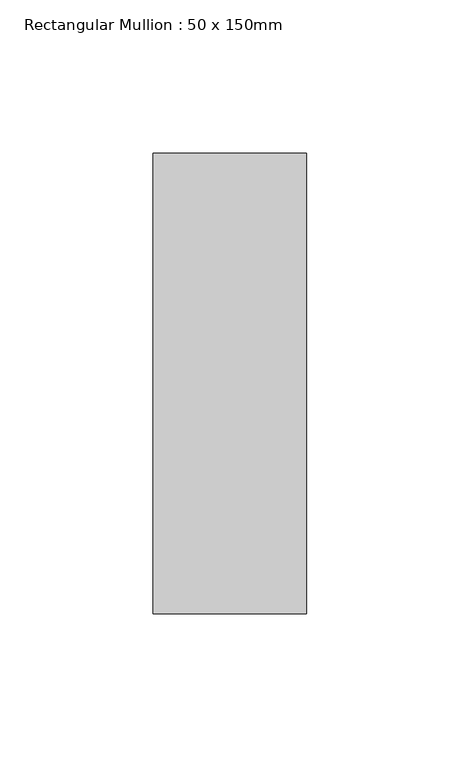
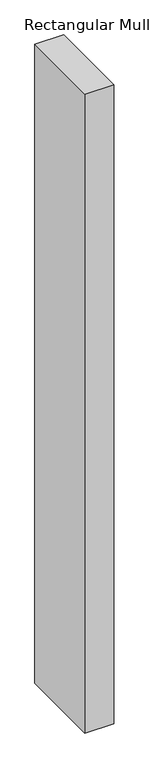
"""IFC4 building model written with IfcOpenShell, lengths in millimetres: member geometry, Rectangular Mullion : 50 x 150mm."""

from ifc_helpers import new_model, si_unit, frame, origin, place, context, project, spatial, polyline, outline, extrude, source, transform, mapped, element, save


def rectangular_mullion_50_x_150mm_351954ca(model_context):
    return source(origin(), model_context, "Body", "SweptSolid", [
        extrude(outline(polyline([(0.0, 75.0), (0.0, -75.0), (-50.0, -75.0), (-50.0, 75.0), (0.0, 75.0)])), frame((0.0, 0.0, -1171.4022256), z_axis=(0.0, 0.0, 1.0), x_axis=(1.0, 0.0, 0.0)), (0.0, 0.0, 1.0), 1171.4022256),
    ])


if __name__ == "__main__":
    model = new_model("IFC4")
    model_context = context("Model", 3, world=origin())
    ifc_project = project(units=[si_unit("LENGTHUNIT", "METRE", prefix="MILLI")], contexts=[model_context])
    site = spatial("IfcSite", under=ifc_project)
    building = spatial("IfcBuilding", under=site)
    placement = place(None, origin())
    rectangular_mullion_50_x_150mm_shape = rectangular_mullion_50_x_150mm_351954ca(model_context)
    element("IfcMember", 1, ObjectType="Rectangular Mullion : 50 x 150mm", at=placement, inside=building, context=model_context, shape_type="MappedRepresentation", body=[
        mapped(rectangular_mullion_50_x_150mm_shape, transform((0.0, 0.0, 0.0), x_axis=(1.0, 0.0, 0.0), y_axis=(0.0, 1.0, 0.0), z_axis=(0.0, 0.0, 1.0))),
    ])
    save(model, "model.ifc")
